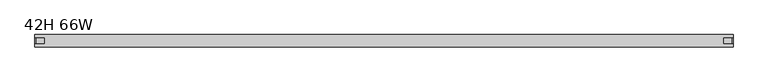
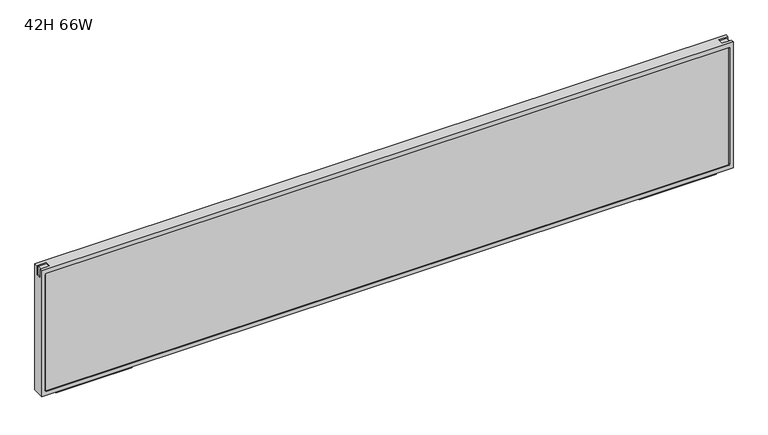
"""IFC4 building model written with IfcOpenShell, lengths in millimetres: furniture geometry, 42H 66W."""

from ifc_helpers import new_model, si_unit, frame, origin, place, context, project, spatial, polyline, circle_curve, outline, extrude, source, transform, mapped, element, save
from ifc_brep_helpers import plane_surface, revolved_surface, advanced_brep


def furniture_42h_66w_5148e1f5(model_context):
    return source(origin(), model_context, "Body", "SolidModel", [
        extrude(outline(polyline([(8.4697679, 726.1923898), (6.659978, 724.3826), (-6.659978, 724.3826), (-8.4697679, 726.1923898), (-8.7854056, 732.2151161), (8.7854056, 732.2151161), (8.4697679, 726.1923898)])), frame((1451.0119922, 0.0, 0.0), z_axis=(1.0, 0.0, 0.0), x_axis=(0.0, 1.0, 0.0)), (0.0, 0.0, 1.0), 184.6490785),
        extrude(outline(polyline([(8.4697679, 726.1923898), (6.659978, 724.3826), (-6.659978, 724.3826), (-8.4697679, 726.1923898), (-8.7854056, 732.2151161), (8.7854056, 732.2151161), (8.4697679, 726.1923898)])), frame((37.6909293, 0.0, 0.0), z_axis=(1.0, 0.0, 0.0), x_axis=(0.0, 1.0, 0.0)), (0.0, 0.0, 1.0), 184.6490785),
        advanced_brep(
        [(0.0, -14.75, 1054.989), (0.0, -14.75, 732.2151161), (1673.352, -14.75, 732.2151161), (1673.352, -14.75, 1054.989), (1662.3519651, -14.75, 742.965114), (11.4000184, -14.75, 742.965114), (8.4000005, -14.75, 745.9651317), (8.4000005, -14.75, 1041.2389579), (11.4000383, -14.75, 1044.2389956), (1662.4728524, -14.75, 1044.2389956), (1665.352, -14.75, 1041.359848), (1665.352, -14.75, 745.9651489), (0.0, 14.75, 1054.989), (1673.352, 14.75, 1054.989), (1673.352, 14.75, 732.2151161), (0.0, 14.75, 732.2151161), (1662.3519651, 14.75, 742.965114), (1665.352, 14.75, 745.9651489), (1665.352, 14.75, 1041.359848), (1662.4728524, 14.75, 1044.2389956), (11.4000383, 14.75, 1044.2389956), (8.4000005, 14.75, 1041.2389579), (8.4000005, 14.75, 745.9651317), (11.4000184, 14.75, 742.965114), (0.0, -7.4999998, 1054.989), (0.0, -7.4999998, 1031.6078517), (0.0, 7.4999998, 1031.6078517), (0.0, 7.4999998, 1054.989), (1673.352, 7.4999998, 1054.989), (1673.352, 7.4999998, 1031.5484257), (1673.352, -7.4999998, 1031.5484257), (1673.352, -7.4999998, 1054.989), (1649.9708517, -7.4999998, 1054.989), (1649.9708517, 7.4999998, 1054.989), (23.5000004, 7.4999998, 1054.989), (23.5000004, -7.4999998, 1054.989), (23.5000004, -7.4999998, 1051.7578572), (3.3499999, -7.4999998, 1051.7578572), (3.3499999, -7.4999998, 1031.6078517), (1670.1208572, -7.4999998, 1031.5484257), (1670.1208572, -7.4999998, 1051.6984261), (1649.9708517, -7.4999998, 1051.6984261), (3.3499999, 7.4999998, 1031.6078517), (3.3499999, 7.4999998, 1051.7578572), (23.5000004, 7.4999998, 1051.7578572), (1649.9708517, 7.4999998, 1051.6984261), (1670.1208572, 7.4999998, 1051.6984261), (1670.1208572, 7.4999998, 1031.5484257)],
        [
            (0, 1),
            (1, 2),
            (2, 3),
            (3, 0),
            (4, 5),
            (5, 6, circle_curve(frame((11.4000184, -14.75, 745.9651319), z_axis=(0.0, 1.0, 0.0), x_axis=(1.0, 0.0, 0.0)), 3.0000179)),
            (6, 7),
            (7, 8, circle_curve(frame((11.4000383, -14.75, 1041.2389579), z_axis=(0.0, 1.0, 0.0), x_axis=(1.0, 0.0, 0.0)), 3.0000378)),
            (8, 9),
            (9, 10, circle_curve(frame((1662.4728524, -14.75, 1041.359848), z_axis=(0.0, 1.0, 0.0), x_axis=(1.0, 0.0, 0.0)), 2.8791476)),
            (10, 11),
            (11, 4, circle_curve(frame((1662.3519651, -14.75, 745.9651489), z_axis=(0.0, 1.0, 0.0), x_axis=(1.0, 0.0, 0.0)), 3.0000349)),
            (12, 13),
            (13, 14),
            (14, 15),
            (15, 12),
            (16, 17, circle_curve(frame((1662.3519651, 14.75, 745.9651489), z_axis=(0.0, -1.0, 0.0), x_axis=(1.0, 0.0, 0.0)), 3.0000349)),
            (17, 18),
            (18, 19, circle_curve(frame((1662.4728524, 14.75, 1041.359848), z_axis=(0.0, -1.0, 0.0), x_axis=(1.0, 0.0, 0.0)), 2.8791476)),
            (19, 20),
            (20, 21, circle_curve(frame((11.4000383, 14.75, 1041.2389579), z_axis=(0.0, -1.0, 0.0), x_axis=(1.0, 0.0, 0.0)), 3.0000378)),
            (21, 22),
            (22, 23, circle_curve(frame((11.4000184, 14.75, 745.9651319), z_axis=(0.0, -1.0, 0.0), x_axis=(1.0, 0.0, 0.0)), 3.0000179)),
            (23, 16),
            (0, 24),
            (24, 25),
            (25, 26),
            (26, 27),
            (27, 12),
            (15, 1),
            (14, 2),
            (13, 28),
            (28, 29),
            (29, 30),
            (30, 31),
            (31, 3),
            (31, 32),
            (32, 33),
            (33, 28),
            (27, 34),
            (34, 35),
            (35, 24),
            (4, 16),
            (23, 5),
            (6, 22),
            (21, 7),
            (8, 20),
            (19, 9),
            (35, 36),
            (36, 37),
            (37, 38),
            (38, 25),
            (30, 39),
            (39, 40),
            (40, 41),
            (41, 32),
            (26, 42),
            (42, 43),
            (43, 44),
            (44, 34),
            (33, 45),
            (45, 46),
            (46, 47),
            (47, 29),
            (38, 42),
            (37, 43),
            (44, 36),
            (41, 45),
            (40, 46),
            (39, 47),
            (18, 10),
            (17, 11),
        ],
        [
            plane_surface(frame((0.0, -14.75, 1054.989), z_axis=(0.0, -1.0, 0.0), x_axis=(0.0, 0.0, -1.0))),
            plane_surface(frame((0.0, 14.75, 1054.989), z_axis=(0.0, 1.0, 0.0), x_axis=(0.0, 0.0, 1.0))),
            plane_surface(frame((0.0, -14.75, 1054.989), z_axis=(-1.0, 0.0, 0.0), x_axis=(0.0, 1.0, 0.0))),
            plane_surface(frame((0.0, -14.75, 732.2151161), z_axis=(0.0, 0.0, -1.0), x_axis=(0.0, 1.0, 0.0))),
            plane_surface(frame((1673.352, -14.75, 732.2151161), z_axis=(1.0, 0.0, 0.0), x_axis=(0.0, 1.0, 0.0))),
            plane_surface(frame((1673.352, -14.75, 1054.989), z_axis=(0.0, 0.0, 1.0), x_axis=(0.0, 1.0, 0.0))),
            plane_surface(frame((1662.3519651, -14.75, 742.965114), z_axis=(0.0, 0.0, 1.0), x_axis=(0.0, 1.0, 0.0))),
            plane_surface(frame((8.4000005, -14.75, 745.9651317), z_axis=(1.0, 0.0, 0.0), x_axis=(0.0, 1.0, 0.0))),
            plane_surface(frame((11.4000383, -14.75, 1044.2389956), z_axis=(0.0, 0.0, -1.0), x_axis=(0.0, 1.0, 0.0))),
            plane_surface(frame((0.0, -7.4999998, 1054.989), z_axis=(0.0, 1.0, 0.0), x_axis=(0.0, 0.0, -1.0))),
            plane_surface(frame((0.0, 7.4999998, 1054.989), z_axis=(0.0, -1.0, 0.0), x_axis=(0.0, 0.0, 1.0))),
            plane_surface(frame((0.0, -7.4999998, 1031.6078517), z_axis=(0.0, 0.0, 1.0), x_axis=(0.0, 1.0, 0.0))),
            plane_surface(frame((3.3499999, -7.4999998, 1031.6078517), z_axis=(-1.0, 0.0, 0.0), x_axis=(0.0, 1.0, 0.0))),
            plane_surface(frame((23.5000004, -7.4999998, 1051.7578572), z_axis=(-1.0, 0.0, 0.0), x_axis=(0.0, 1.0, 0.0))),
            plane_surface(frame((3.3499999, -7.4999998, 1051.7578572), z_axis=(0.0, 0.0, 1.0), x_axis=(0.0, 1.0, 0.0))),
            plane_surface(frame((1649.9708517, -7.4999998, 1054.989), z_axis=(1.0, 0.0, 0.0), x_axis=(0.0, 1.0, 0.0))),
            plane_surface(frame((1649.9708517, -7.4999998, 1051.6984261), z_axis=(0.0, 0.0, 1.0), x_axis=(0.0, 1.0, 0.0))),
            plane_surface(frame((1670.1208572, -7.4999998, 1051.6984261), z_axis=(1.0, 0.0, 0.0), x_axis=(0.0, 1.0, 0.0))),
            plane_surface(frame((1670.1208572, -7.4999998, 1031.5484257), z_axis=(0.0, 0.0, 1.0), x_axis=(0.0, 1.0, 0.0))),
            revolved_surface(polyline([(14.4000363, 14.75, 745.9651319), (14.4000363, -14.75, 745.9651319)]), (11.4000184, 0.0, 745.9651319), (0.0, 1.0, 0.0)),
            revolved_surface(polyline([(14.4000761, 14.75, 1041.2389579), (14.4000761, -14.75, 1041.2389579)]), (11.4000383, 0.0, 1041.2389579), (0.0, 1.0, 0.0)),
            revolved_surface(polyline([(1665.3519999999999, 14.75, 1041.359848), (1665.3519999999999, -14.75, 1041.359848)]), (1662.4728524, 0.0, 1041.359848), (0.0, 1.0, 0.0)),
            plane_surface(frame((1665.352, -14.75, 1041.359848), z_axis=(-1.0, 0.0, 0.0), x_axis=(0.0, 1.0, 0.0))),
            revolved_surface(polyline([(1665.3519999999999, 14.75, 745.9651489), (1665.3519999999999, -14.75, 745.9651489)]), (1662.3519651, 0.0, 745.9651489), (0.0, 1.0, 0.0)),
        ],
        [
            (0, [[1, 2, 3, 4], [5, 6, 7, 8, 9, 10, 11, 12]]),
            (1, [[13, 14, 15, 16], [17, 18, 19, 20, 21, 22, 23, 24]]),
            (2, [[-1, 25, 26, 27, 28, 29, -16, 30]]),
            (3, [[-2, -30, -15, 31]]),
            (4, [[-3, -31, -14, 32, 33, 34, 35, 36]]),
            (5, [[-4, -36, 37, 38, 39, -32, -13, -29, 40, 41, 42, -25]]),
            (6, [[-5, 43, -24, 44]]),
            (7, [[-7, 45, -22, 46]]),
            (8, [[-9, 47, -20, 48]]),
            (9, [[49, 50, 51, 52, -26, -42]]),
            (9, [[53, 54, 55, 56, -37, -35]]),
            (10, [[57, 58, 59, 60, -40, -28]]),
            (10, [[61, 62, 63, 64, -33, -39]]),
            (11, [[-52, 65, -57, -27]]),
            (12, [[-51, 66, -58, -65]]),
            (13, [[-49, -41, -60, 67]]),
            (14, [[-50, -67, -59, -66]]),
            (15, [[-56, 68, -61, -38]]),
            (16, [[-55, 69, -62, -68]]),
            (17, [[-54, 70, -63, -69]]),
            (18, [[-53, -34, -64, -70]]),
            (19, [[-6, -44, -23, -45]]),
            (20, [[-8, -46, -21, -47]]),
            (21, [[-10, -48, -19, 71]]),
            (22, [[-11, -71, -18, 72]]),
            (23, [[-12, -72, -17, -43]]),
        ],
    ),
        extrude(outline(polyline([(1662.852, 13.2219268), (1662.852, -13.2456324), (10.5, -13.2456324), (10.5, 13.2219268), (1662.852, 13.2219268)])), frame((0.0, 0.0, 743.3543649), z_axis=(0.0, 0.0, 1.0), x_axis=(1.0, 0.0, 0.0)), (0.0, 0.0, 1.0), 301.2212067),
    ])


if __name__ == "__main__":
    model = new_model("IFC4")
    model_context = context("Model", 3, world=origin())
    ifc_project = project(units=[si_unit("LENGTHUNIT", "METRE", prefix="MILLI")], contexts=[model_context])
    site = spatial("IfcSite", under=ifc_project)
    building = spatial("IfcBuilding", under=site)
    placement = place(None, origin())
    furniture_42h_66w_shape = furniture_42h_66w_5148e1f5(model_context)
    element("IfcFurniture", 1, ObjectType="42H 66W", at=placement, inside=building, context=model_context, shape_type="MappedRepresentation", body=[
        mapped(furniture_42h_66w_shape, transform((0.0, 0.0, 0.0), x_axis=(1.0, 0.0, 0.0), y_axis=(0.0, 1.0, 0.0), z_axis=(0.0, 0.0, 1.0))),
    ])
    save(model, "model.ifc")
